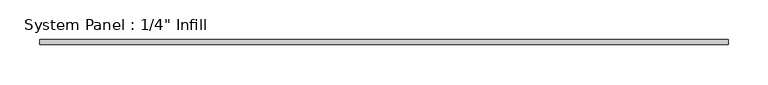
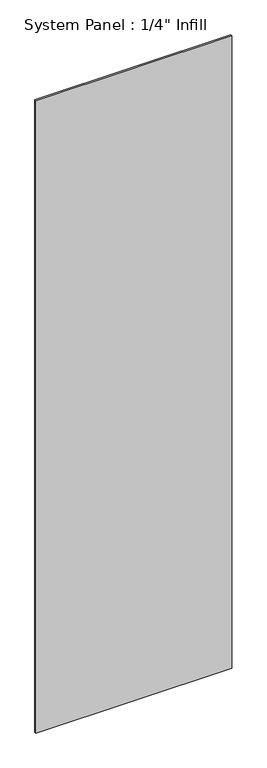
"""IFC4 building model written with IfcOpenShell, lengths in millimetres: plate geometry."""

from ifc_helpers import new_model, si_unit, origin, origin_with_axes, place, context, project, spatial, polyline, outline, extrude, source, transform, mapped, element, save


def plate_a748cc91(model_context):
    return source(origin(), model_context, "Body", "SweptSolid", [
        extrude(outline(polyline([(431.8, 25.4), (-431.8, 25.4), (-431.8, 31.75), (431.8, 31.75), (431.8, 25.4)])), origin_with_axes(), (0.0, 0.0, 1.0), 2946.4),
    ])


if __name__ == "__main__":
    model = new_model("IFC4")
    model_context = context("Model", 3, world=origin())
    ifc_project = project(units=[si_unit("LENGTHUNIT", "METRE", prefix="MILLI")], contexts=[model_context])
    site = spatial("IfcSite", under=ifc_project)
    building = spatial("IfcBuilding", under=site)
    placement = place(None, origin())
    plate_shape = plate_a748cc91(model_context)
    element("IfcPlate", 1, ObjectType="System Panel : 1/4\" Infill", at=placement, inside=building, context=model_context, shape_type="MappedRepresentation", body=[
        mapped(plate_shape, transform((0.0, 0.0, 0.0), x_axis=(1.0, 0.0, 0.0), y_axis=(0.0, 1.0, 0.0), z_axis=(0.0, 0.0, 1.0))),
    ])
    save(model, "model.ifc")
